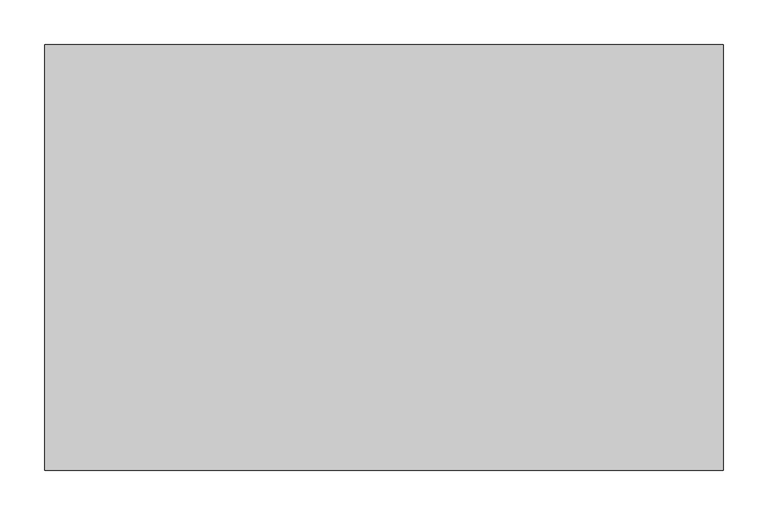
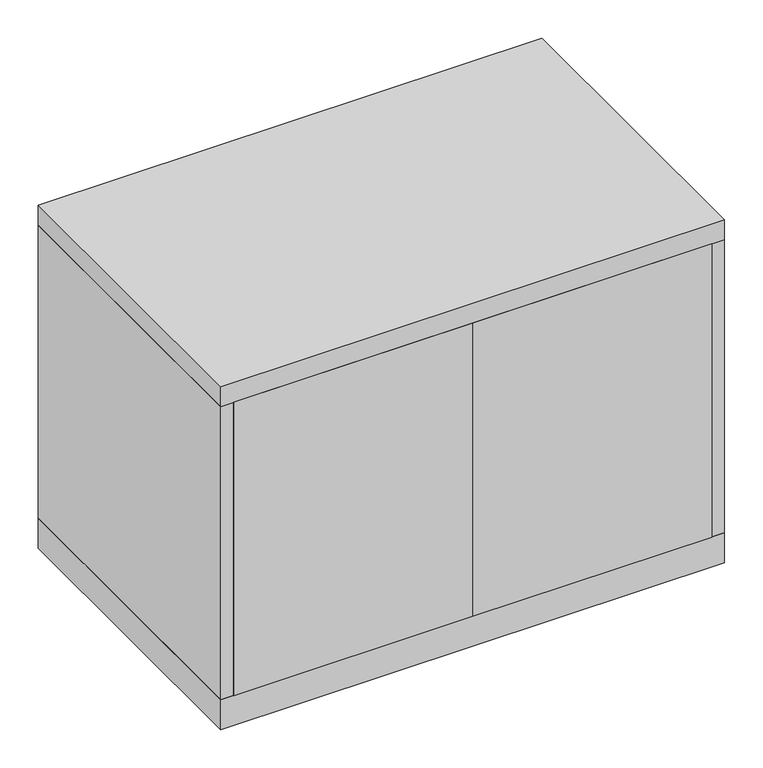
"""IFC4 building model written with IfcOpenShell, lengths in millimetres: furniture geometry."""

from ifc_helpers import new_model, si_unit, frame, origin, origin_with_axes, place, context, project, spatial, polyline, outline, extrude, source, transform, mapped, element, save


def furniture_2198fe05(model_context):
    return source(origin(), model_context, "Body", "SweptSolid", [
        extrude(outline(polyline([(-360.3625, -476.25), (-360.3625, -457.2), (0.0, -457.2), (0.0, -476.25), (-360.3625, -476.25)])), frame((0.0, 0.0, 47.625), z_axis=(0.0, 0.0, 1.0), x_axis=(1.0, 0.0, 0.0)), (0.0, 0.0, 1.0), 466.725),
        extrude(outline(polyline([(360.3625, -476.25), (0.0, -476.25), (0.0, -457.2), (360.3625, -457.2), (360.3625, -476.25)])), frame((0.0, 0.0, 47.625), z_axis=(0.0, 0.0, 1.0), x_axis=(1.0, 0.0, 0.0)), (0.0, 0.0, 1.0), 466.725),
        extrude(outline(polyline([(360.3625, -19.05), (360.3625, -457.2), (-360.3625, -457.2), (-360.3625, -19.05), (360.3625, -19.05)])), frame((0.0, 0.0, 271.4625), z_axis=(0.0, 0.0, 1.0), x_axis=(1.0, 0.0, 0.0)), (0.0, 0.0, 1.0), 19.05),
        extrude(outline(polyline([(379.4125, 0.0), (379.4125, -476.25), (-379.4125, -476.25), (-379.4125, 0.0), (379.4125, 0.0)])), origin_with_axes(), (0.0, 0.0, 1.0), 47.625),
        extrude(outline(polyline([(379.4125, 0.0), (379.4125, -476.25), (-379.4125, -476.25), (-379.4125, 0.0), (379.4125, 0.0)])), frame((0.0, 0.0, 514.35), z_axis=(0.0, 0.0, 1.0), x_axis=(1.0, 0.0, 0.0)), (0.0, 0.0, 1.0), 31.75),
        extrude(outline(polyline([(379.4125, 0.0), (379.4125, -476.25), (360.3625, -476.25), (360.3625, -19.05), (-360.3625, -19.05), (-360.3625, -476.25), (-379.4125, -476.25), (-379.4125, 0.0), (379.4125, 0.0)])), frame((0.0, 0.0, 47.625), z_axis=(0.0, 0.0, 1.0), x_axis=(1.0, 0.0, 0.0)), (0.0, 0.0, 1.0), 466.725),
    ])


if __name__ == "__main__":
    model = new_model("IFC4")
    model_context = context("Model", 3, world=origin())
    ifc_project = project(units=[si_unit("LENGTHUNIT", "METRE", prefix="MILLI")], contexts=[model_context])
    site = spatial("IfcSite", under=ifc_project)
    building = spatial("IfcBuilding", under=site)
    placement = place(None, origin())
    furniture_shape = furniture_2198fe05(model_context)
    element("IfcFurniture", 1, at=placement, inside=building, context=model_context, shape_type="MappedRepresentation", body=[
        mapped(furniture_shape, transform((0.0, 0.0, 0.0), x_axis=(1.0, 0.0, 0.0), y_axis=(0.0, 1.0, 0.0), z_axis=(0.0, 0.0, 1.0))),
    ])
    save(model, "model.ifc")
